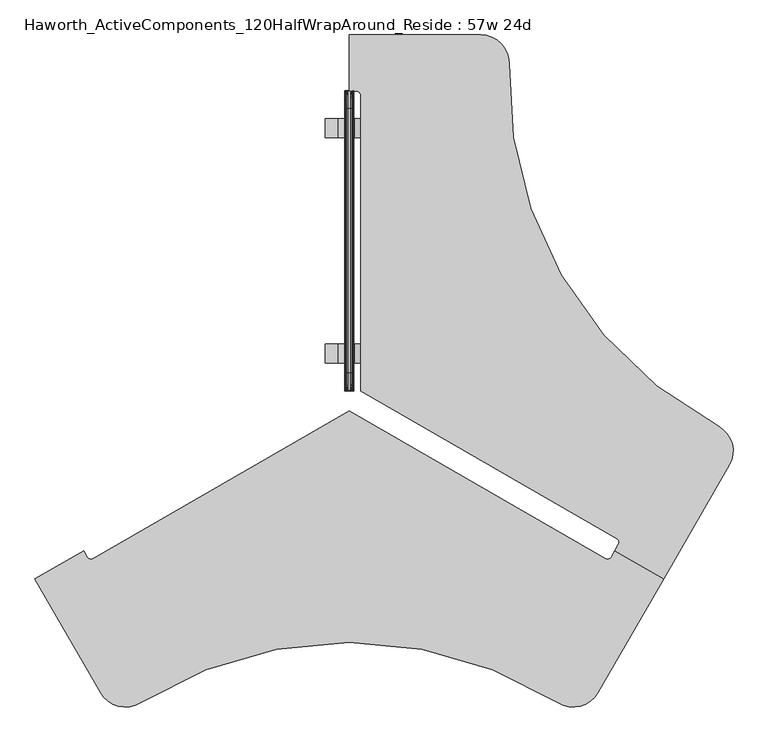
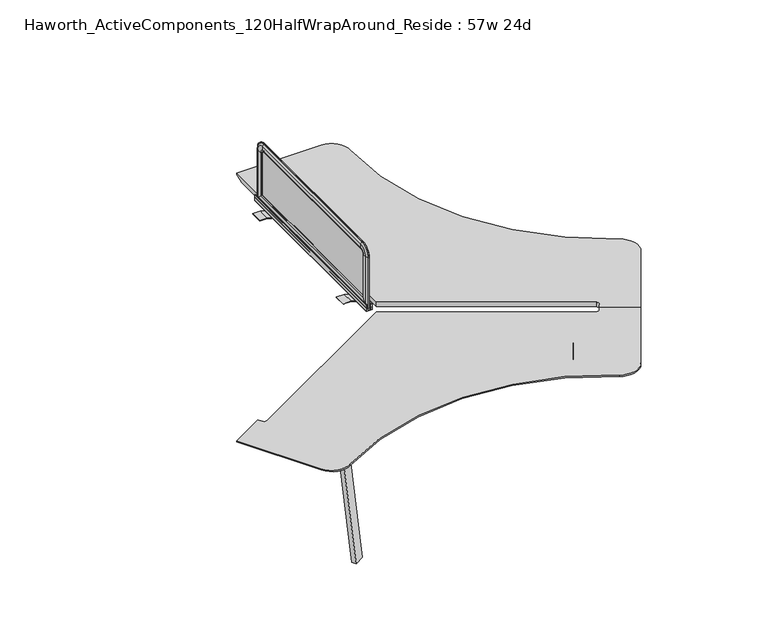
"""IFC4 building model written with IfcOpenShell, lengths in millimetres: furniture geometry, Haworth_ActiveComponents_120HalfWrapAround_Reside : 57w 24d."""

from ifc_helpers import new_model, si_unit, point, frame, frame_2d, origin, place, context, project, spatial, polyline, circle_curve, ellipse_curve, trimmed, segment, composite_curve, outline, extrude, source, transform, mapped, element, save
from ifc_brep_helpers import plane_surface, cylinder_surface, revolved_surface, advanced_brep


def haworth_activecomponents_120halfwraparound_reside_57w_24d_3ce308c3(model_context):
    return source(origin(), model_context, "Body", "SolidModel", [
        advanced_brep(
        [(5546.298392, 535.123697, 741.3625), (5576.4649877, 535.123697, 741.3625), (5592.335934, 519.2527507, 741.3625), (5592.335934, -680.7235255, 741.3625), (6631.5343091, -1280.7049871, 741.3625), (6637.3483503, -1302.4032713, 741.3625), (6622.2717011, -1328.5168121, 741.3625), (6820.2451785, -1442.816772, 741.3625), (7086.807887, -981.1166174, 741.3625), (7041.264866, -822.9306694, 741.3625), (6193.6453651, 645.1893138, 741.3625), (6079.423826, 763.723697, 741.3625), (5546.298392, 763.723697, 741.3625), (6622.2717011, -1328.5168121, 711.2), (6637.3483503, -1302.4032713, 711.2), (6631.5343091, -1280.7049871, 711.2), (5592.335934, -680.7235255, 711.2), (5592.335934, 519.2527507, 711.2), (5576.4649877, 535.123697, 711.2), (5546.298392, 535.123697, 711.2), (5546.298392, 712.923697, 711.2), (6079.423826, 712.923697, 711.2), (6142.8802366, 647.0712619, 711.2), (7017.5121182, -867.8355352, 711.2), (7042.8137965, -955.7166174, 711.2), (6776.2510802, -1417.4167854, 711.2), (6820.2451785, -1442.816772, 731.8375), (7086.807887, -981.1166174, 731.8375), (7041.264866, -822.9306694, 731.8375), (6193.6453651, 645.1893138, 731.8375), (6079.423826, 763.723697, 731.8375), (5546.298392, 763.723697, 731.8375)],
        [
            (0, 1),
            (1, 2, circle_curve(frame((5576.4649877, 519.2527507, 741.3625), z_axis=(0.0, 0.0, -1.0), x_axis=(0.0, 1.0, 0.0)), 15.8709463)),
            (2, 3),
            (3, 4),
            (4, 5, circle_curve(frame((6623.5921843, -1294.4611507, 741.3625), z_axis=(0.0, 0.0, -1.0), x_axis=(0.0, 1.0, 0.0)), 15.8842495)),
            (5, 6),
            (6, 7),
            (7, 8),
            (8, 9, circle_curve(frame((6987.8211834, -923.9666174, 741.3625), z_axis=(0.0, 0.0, 1.0), x_axis=(0.0, 1.0, 0.0)), 114.3)),
            (9, 10, circle_curve(frame((7786.6005897, 586.135803, 741.3625), z_axis=(0.0, 0.0, -1.0), x_axis=(0.0, 1.0, 0.0)), 1594.0494549)),
            (10, 11, circle_curve(frame((6079.423826, 649.423697, 741.3625), z_axis=(0.0, 0.0, 1.0), x_axis=(0.0, 1.0, 0.0)), 114.3)),
            (11, 12),
            (12, 0),
            (13, 14),
            (14, 15, circle_curve(frame((6623.5921843, -1294.4611507, 711.2), z_axis=(0.0, 0.0, 1.0), x_axis=(0.0, 1.0, 0.0)), 15.8842495)),
            (15, 16),
            (16, 17),
            (17, 18, circle_curve(frame((5576.4649877, 519.2527507, 711.2), z_axis=(0.0, 0.0, 1.0), x_axis=(0.0, 1.0, 0.0)), 15.8709463)),
            (18, 19),
            (19, 20),
            (20, 21),
            (21, 22, circle_curve(frame((6079.423826, 649.423697, 711.2), z_axis=(0.0, 0.0, -1.0), x_axis=(0.9993135530948192, -0.037046222493095374, 0.0)), 63.5)),
            (22, 23, circle_curve(frame((7786.6005897, 586.135803, 711.2), z_axis=(0.0, 0.0, 1.0), x_axis=(-0.4675737765625936, -0.8839540505427834, 0.0)), 1644.8494549)),
            (23, 24, circle_curve(frame((6987.8211834, -923.9666174, 711.2), z_axis=(0.0, 0.0, -1.0), x_axis=(0.8660254037844176, -0.5000000000000362, 0.0)), 63.5)),
            (24, 25),
            (25, 13),
            (6, 13),
            (25, 26),
            (26, 7),
            (26, 27),
            (27, 8),
            (9, 28),
            (28, 29, circle_curve(frame((7786.6005897, 586.135803, 731.8375), z_axis=(0.0, 0.0, -1.0), x_axis=(0.0, 1.0, 0.0)), 1594.0494549)),
            (29, 10),
            (11, 30),
            (30, 31),
            (31, 12),
            (31, 20),
            (19, 0),
            (18, 1),
            (17, 2),
            (16, 3),
            (15, 4),
            (14, 5),
            (27, 28, circle_curve(frame((6987.8211834, -923.9666174, 731.8375), z_axis=(0.0, 0.0, 1.0), x_axis=(0.0, 1.0, 0.0)), 114.3)),
            (29, 30, circle_curve(frame((6079.423826, 649.423697, 731.8375), z_axis=(0.0, 0.0, 1.0), x_axis=(0.0, 1.0, 0.0)), 114.3)),
            (24, 27),
            (23, 28),
            (22, 29),
            (21, 30),
        ],
        [
            plane_surface(frame((5546.298392, 535.123697, 741.3625), z_axis=(0.0, 0.0, 1.0), x_axis=(1.0, 0.0, 0.0))),
            plane_surface(frame((5546.298392, 535.123697, 711.2), z_axis=(0.0, 0.0, -1.0), x_axis=(-1.0, 0.0, 0.0))),
            plane_surface(frame((6622.2717011, -1328.5168121, 741.3625), z_axis=(-0.4999997355017354, -0.8660255564925292, 0.0), x_axis=(0.0, 0.0, -1.0))),
            plane_surface(frame((6820.2451785, -1442.816772, 741.3625), z_axis=(0.8660254037844242, -0.5000000000000252, 0.0), x_axis=(0.0, 0.0, -1.0))),
            revolved_surface(polyline([(7786.6005897, 2180.1852579, 731.8375), (7786.6005897, 2180.1852579, 741.3625)]), (7786.6005897, 586.135803, 711.2), (0.0, 0.0, -1.0)),
            plane_surface(frame((6079.423826, 763.723697, 741.3625), z_axis=(0.0, 1.0, 0.0), x_axis=(0.0, 0.0, -1.0))),
            plane_surface(frame((5546.298392, 763.723697, 741.3625), z_axis=(-1.0, 0.0, 0.0), x_axis=(0.0, 0.0, -1.0))),
            plane_surface(frame((5546.298392, 535.123697, 741.3625), z_axis=(0.0, -1.0, 0.0), x_axis=(0.0, 0.0, -1.0))),
            revolved_surface(polyline([(5576.4649877, 535.123697, 711.2), (5576.4649877, 535.123697, 741.3625)]), (5576.4649877, 519.2527507, 711.2), (0.0, 0.0, -1.0)),
            plane_surface(frame((5592.335934, 519.2527507, 741.3625), z_axis=(-1.0, 0.0, 0.0), x_axis=(0.0, 0.0, -1.0))),
            plane_surface(frame((5592.335934, -680.7235255, 741.3625), z_axis=(-0.4999999999999999, -0.8660254037844388, 0.0), x_axis=(0.0, 0.0, -1.0))),
            revolved_surface(polyline([(6623.5921843, -1278.5769012, 711.2), (6623.5921843, -1278.5769012, 741.3625)]), (6623.5921843, -1294.4611507, 711.2), (0.0, 0.0, -1.0)),
            plane_surface(frame((6637.3483503, -1302.4032713, 741.3625), z_axis=(-0.8660255564925289, 0.49999973550173593, 0.0), x_axis=(0.0, 0.0, -1.0))),
            cylinder_surface(frame((6987.8211834, -923.9666174, 711.2), z_axis=(0.0, 0.0, 1.0), x_axis=(0.0, 1.0, 0.0)), 114.3),
            cylinder_surface(frame((6079.423826, 649.423697, 711.2), z_axis=(0.0, 0.0, 1.0), x_axis=(0.0, 1.0, 0.0)), 114.3),
            plane_surface(frame((6820.2451785, -1442.816772, 731.8375), z_axis=(0.3259520840652066, -0.1881885234779791, -0.9264665771223088), x_axis=(0.5000000000000251, 0.8660254037844243, 0.0))),
            revolved_surface(polyline([(7042.8137965, -955.7166174, 711.2), (7086.807887, -981.1166174, 731.8375)]), (6987.8211834, -923.9666174, 741.3625), (0.0, 0.0, 1.0)),
            revolved_surface(polyline([(7017.5121182, -867.8355352, 711.2), (7041.264866, -822.9306694, 731.8375)]), (7786.6005897, 586.135803, 741.3625), (0.0, 0.0, -1.0)),
            revolved_surface(polyline([(6142.8802366, 647.0712619, 711.2), (6193.6453651, 645.1893138, 731.8375)]), (6079.423826, 649.423697, 741.3625), (0.0, 0.0, 1.0)),
            plane_surface(frame((6079.423826, 763.723697, 731.8375), z_axis=(0.0, 0.3763770469559395, -0.9264665771223087), x_axis=(-1.0, 0.0, 0.0))),
        ],
        [
            (0, [[1, 2, 3, 4, 5, 6, 7, 8, 9, 10, 11, 12, 13]]),
            (1, [[14, 15, 16, 17, 18, 19, 20, 21, 22, 23, 24, 25, 26]]),
            (2, [[-7, 27, -26, 28, 29]]),
            (3, [[-8, -29, 30, 31]]),
            (4, [[-10, 32, 33, 34]]),
            (5, [[-12, 35, 36, 37]]),
            (6, [[-13, -37, 38, -20, 39]]),
            (7, [[-1, -39, -19, 40]]),
            (8, [[-2, -40, -18, 41]]),
            (9, [[-3, -41, -17, 42]]),
            (10, [[-4, -42, -16, 43]]),
            (11, [[-5, -43, -15, 44]]),
            (12, [[-6, -44, -14, -27]]),
            (13, [[-9, -31, 45, -32]]),
            (14, [[-11, -34, 46, -35]]),
            (15, [[47, -30, -28, -25]]),
            (16, [[-47, -24, 48, -45]]),
            (17, [[-48, -23, 49, -33]]),
            (18, [[-49, -22, 50, -46]]),
            (19, [[-50, -21, -38, -36]]),
        ],
    ),
        extrude(outline(composite_curve([segment(polyline([(4791.2150679, -1604.0041573), (4773.6881285, -1573.6487739), (5537.566722, -1132.5917913)]), True, "CONTINUOUS"), segment(trimmed(circle_curve(frame_2d((5546.2984392, -1147.7144901)), 17.4625), [point((5537.566722, -1132.5917913))], [point((5555.0301565, -1132.5917913))], False, "CARTESIAN"), True, "CONTINUOUS"), segment(polyline([(5555.0301565, -1132.5917913), (6318.90875, -1573.6487739), (6301.3818106, -1604.0041573), (5546.2984392, -1168.0254609), (4791.2150679, -1604.0041573)]), True, "CONTINUOUS")], self_intersect=False)), frame((0.0, 0.0, 671.7664816), z_axis=(0.0, 0.0, 1.0), x_axis=(1.0, 0.0, 0.0)), (0.0, 0.0, 1.0), 34.2900581),
        extrude(outline(composite_curve([segment(polyline([(4756.490495, -1543.859523), (4738.9635856, -1513.5041013), (5537.5667417, -1052.3988437)]), True, "CONTINUOUS"), segment(trimmed(circle_curve(frame_2d((5546.2984392, -1067.521554)), 17.4625), [point((5537.5667417, -1052.3988437))], [point((5555.0301367, -1052.3988437))], False, "CARTESIAN"), True, "CONTINUOUS"), segment(polyline([(5555.0301367, -1052.3988437), (6353.6332929, -1513.5041013), (6336.1063834, -1543.859523), (5546.2984392, -1087.8325086), (4756.490495, -1543.859523)]), True, "CONTINUOUS")], self_intersect=False)), frame((0.0, 0.0, 671.7664816), z_axis=(0.0, 0.0, 1.0), x_axis=(1.0, 0.0, 0.0)), (0.0, 0.0, 1.0), 34.2900581),
        extrude(outline(polyline([(4799.0775322, -1620.7903741), (4772.3272209, -1716.5620946), (4777.1471632, -1724.9092883), (4718.6736713, -1758.6689746), (4568.7501644, -1498.9938434), (4627.2155729, -1465.2388241), (4630.918149, -1471.651874), (4727.2415926, -1496.366877), (4799.0775322, -1620.7903741)])), frame((0.0, 0.0, 671.7664816), z_axis=(0.0, 0.0, 1.0), x_axis=(1.0, 0.0, 0.0)), (0.0, 0.0, 1.0), 34.2900581),
        extrude(outline(polyline([(6293.5193463, -1620.7903741), (6365.3552858, -1496.366877), (6461.6787295, -1471.651874), (6465.3813056, -1465.2388241), (6523.846714, -1498.9938434), (6373.9232071, -1758.6689746), (6315.4497153, -1724.9092883), (6320.2696576, -1716.5620946), (6293.5193463, -1620.7903741)])), frame((0.0, 0.0, 671.7664816), z_axis=(0.0, 0.0, 1.0), x_axis=(1.0, 0.0, 0.0)), (0.0, 0.0, 1.0), 34.2900581),
        advanced_brep(
        [(6622.2717921, -1328.5167479, 741.3625), (6607.1884942, -1354.6417862, 741.3625), (6585.5083784, -1360.4509557, 741.3625), (5546.2984392, -760.4628176, 741.3625), (4507.1000641, -1360.4442792, 741.3625), (4485.4017782, -1354.6302445, 741.3625), (4470.325113, -1328.5167128, 741.3625), (4272.3517055, -1442.8167936, 741.3625), (4538.914414, -1904.5169482, 741.3625), (4698.678974, -1944.168509, 741.3625), (6393.9179257, -1944.1684801, 741.3625), (6553.6824824, -1904.5169172, 741.3625), (6820.2451994, -1442.8167479, 741.3625), (4470.325113, -1328.5167128, 711.2), (4485.4017782, -1354.6302445, 711.2), (4507.1000641, -1360.4442792, 711.2), (5546.2984392, -760.4628176, 711.2), (6585.5083784, -1360.4509557, 711.2), (6607.1884942, -1354.6417862, 711.2), (6622.2717921, -1328.5167479, 711.2), (6776.2511089, -1417.4167479, 711.2), (6509.6883919, -1879.1169172, 711.2), (6420.9303048, -1901.1455632, 711.2), (4671.6665934, -1901.1455931, 711.2), (4582.9085045, -1879.1169482, 711.2), (4316.3457882, -1417.4167802, 711.2), (4272.3517055, -1442.8167936, 731.8375), (4538.914414, -1904.5169482, 731.8375), (4698.678974, -1944.168509, 731.8375), (6393.9179257, -1944.1684801, 731.8375), (6553.6824824, -1904.5169172, 731.8375), (6820.2451994, -1442.8167479, 731.8375)],
        [
            (0, 1),
            (1, 2, circle_curve(frame((6593.4438515, -1346.706313, 741.3625), z_axis=(0.0, 0.0, -1.0), x_axis=(0.8660254037844388, -0.4999999999999999, 0.0)), 15.8709463)),
            (2, 3),
            (3, 4),
            (4, 5, circle_curve(frame((4499.1579394, -1346.6881156, 741.3625), z_axis=(0.0, 0.0, -1.0), x_axis=(0.8660254037844388, -0.4999999999999999, 0.0)), 15.8842495)),
            (5, 6),
            (6, 7),
            (7, 8),
            (8, 9, circle_curve(frame((4637.9011176, -1847.3669482, 741.3625), z_axis=(0.0, 0.0, 1.0), x_axis=(0.8660254037844388, -0.4999999999999999, 0.0)), 114.3)),
            (9, 10, circle_curve(frame((5546.2984729, -3294.1814163, 741.3625), z_axis=(0.0, 0.0, -1.0), x_axis=(0.8660254037844388, -0.4999999999999999, 0.0)), 1594.0494549)),
            (10, 11, circle_curve(frame((6454.6957787, -1847.3669172, 741.3625), z_axis=(0.0, 0.0, 1.0), x_axis=(0.8660254037844388, -0.4999999999999999, 0.0)), 114.3)),
            (11, 12),
            (12, 0),
            (13, 14),
            (14, 15, circle_curve(frame((4499.1579394, -1346.6881156, 711.2), z_axis=(0.0, 0.0, 1.0), x_axis=(0.8660254037844388, -0.4999999999999999, 0.0)), 15.8842495)),
            (15, 16),
            (16, 17),
            (17, 18, circle_curve(frame((6593.4438515, -1346.706313, 711.2), z_axis=(0.0, 0.0, 1.0), x_axis=(0.8660254037844388, -0.4999999999999999, 0.0)), 15.8709463)),
            (18, 19),
            (19, 20),
            (20, 21),
            (21, 22, circle_curve(frame((6454.6957787, -1847.3669172, 711.2), z_axis=(0.0, 0.0, -1.0), x_axis=(-0.5317397463406786, -0.8469078120796566, 0.0)), 63.5)),
            (22, 23, circle_curve(frame((5546.2984729, -3294.1814163, 711.2), z_axis=(0.0, 0.0, 1.0), x_axis=(-0.5317397752669095, 0.8469077939180254, 0.0)), 1644.8494549)),
            (23, 24, circle_curve(frame((4637.9011176, -1847.3669482, 711.2), z_axis=(0.0, 0.0, -1.0), x_axis=(-0.8660254037844584, -0.49999999999996597, 0.0)), 63.5)),
            (24, 25),
            (25, 13),
            (6, 13),
            (25, 26),
            (26, 7),
            (26, 27),
            (27, 8),
            (9, 28),
            (28, 29, circle_curve(frame((5546.2984729, -3294.1814163, 731.8375), z_axis=(0.0, 0.0, -1.0), x_axis=(0.8660254037844388, -0.4999999999999999, 0.0)), 1594.0494549)),
            (29, 10),
            (11, 30),
            (30, 31),
            (31, 12),
            (31, 20),
            (19, 0),
            (18, 1),
            (17, 2),
            (16, 3),
            (15, 4),
            (14, 5),
            (27, 28, circle_curve(frame((4637.9011176, -1847.3669482, 731.8375), z_axis=(0.0, 0.0, 1.0), x_axis=(0.8660254037844388, -0.4999999999999999, 0.0)), 114.3)),
            (29, 30, circle_curve(frame((6454.6957787, -1847.3669172, 731.8375), z_axis=(0.0, 0.0, 1.0), x_axis=(0.8660254037844388, -0.4999999999999999, 0.0)), 114.3)),
            (24, 27),
            (23, 28),
            (22, 29),
            (21, 30),
        ],
        [
            plane_surface(frame((6622.2717921, -1328.5167479, 741.3625), z_axis=(0.0, 0.0, 1.0000000000000002), x_axis=(-0.5000000000000019, -0.8660254037844377, 0.0))),
            plane_surface(frame((6622.2717921, -1328.5167479, 711.2), z_axis=(0.0, 0.0, -1.0000000000000002), x_axis=(0.5000000000000019, 0.8660254037844377, 0.0))),
            plane_surface(frame((4470.325113, -1328.5167128, 741.3625), z_axis=(-0.5000002644982202, 0.8660252510762663, 0.0), x_axis=(0.0, 0.0, -1.0))),
            plane_surface(frame((4272.3517055, -1442.8167936, 741.3625), z_axis=(-0.8660254037844519, -0.499999999999977, 0.0), x_axis=(0.0, 0.0, -1.0))),
            revolved_surface(polyline([(6926.785795732138, -4091.2061437499997, 731.8375), (6926.785795732138, -4091.2061437499997, 741.3625)]), (5546.2984729, -3294.1814163, 711.2), (0.0, 0.0, -1.0)),
            plane_surface(frame((6553.6824824, -1904.5169172, 741.3625), z_axis=(0.8660254037844379, -0.5000000000000014, 0.0), x_axis=(0.0, 0.0, -1.0))),
            plane_surface(frame((6820.2451994, -1442.8167479, 741.3625), z_axis=(0.5000000000000027, 0.8660254037844372, 0.0), x_axis=(0.0, 0.0, -1.0))),
            plane_surface(frame((6622.2717921, -1328.5167479, 741.3625), z_axis=(-0.8660254037844377, 0.5000000000000019, 0.0), x_axis=(0.0, 0.0, -1.0))),
            revolved_surface(polyline([(6607.188494177899, -1354.64178615, 711.2), (6607.188494177899, -1354.64178615, 741.3625)]), (6593.4438515, -1346.706313, 711.2), (0.0, 0.0, -1.0)),
            plane_surface(frame((6585.5083784, -1360.4509557, 741.3625), z_axis=(0.5000000000000027, 0.8660254037844372, 0.0), x_axis=(0.0, 0.0, -1.0))),
            plane_surface(frame((5546.2984392, -760.4628176, 741.3625), z_axis=(-0.5000000000000022, 0.8660254037844373, 0.0), x_axis=(0.0, 0.0, -1.0))),
            revolved_surface(polyline([(4512.914102987051, -1354.63024035, 711.2), (4512.914102987051, -1354.63024035, 741.3625)]), (4499.1579394, -1346.6881156, 711.2), (0.0, 0.0, -1.0)),
            plane_surface(frame((4485.4017782, -1354.6302445, 741.3625), z_axis=(0.8660252510762666, 0.5000002644982197, 0.0), x_axis=(0.0, 0.0, -1.0))),
            cylinder_surface(frame((4637.9011176, -1847.3669482, 711.2), z_axis=(0.0, 0.0, 1.0), x_axis=(0.8660254037844388, -0.4999999999999999, 0.0)), 114.3),
            cylinder_surface(frame((6454.6957787, -1847.3669172, 711.2), z_axis=(0.0, 0.0, 1.0), x_axis=(0.8660254037844388, -0.4999999999999999, 0.0)), 114.3),
            plane_surface(frame((4272.3517055, -1442.8167936, 731.8375), z_axis=(-0.325952084065217, -0.18818852347796108, -0.9264665771223088), x_axis=(0.49999999999997724, -0.8660254037844519, 0.0))),
            revolved_surface(polyline([(4582.9085045, -1879.1169482, 711.2), (4538.914414, -1904.5169482, 731.8375)]), (4637.9011176, -1847.3669482, 741.3625), (0.0, 0.0, 1.0)),
            revolved_surface(polyline([(4671.6665934, -1901.1455931, 711.2), (4698.678974, -1944.168509, 731.8375)]), (5546.2984729, -3294.1814163, 741.3625), (0.0, 0.0, -1.0)),
            revolved_surface(polyline([(6420.9303048, -1901.1455632, 711.2), (6393.9179257, -1944.1684801, 731.8375)]), (6454.6957787, -1847.3669172, 741.3625), (0.0, 0.0, 1.0)),
            plane_surface(frame((6553.6824824, -1904.5169172, 731.8375), z_axis=(0.32595208406521176, -0.18818852347797024, -0.9264665771223087), x_axis=(0.5000000000000014, 0.8660254037844379, 0.0))),
        ],
        [
            (0, [[1, 2, 3, 4, 5, 6, 7, 8, 9, 10, 11, 12, 13]]),
            (1, [[14, 15, 16, 17, 18, 19, 20, 21, 22, 23, 24, 25, 26]]),
            (2, [[-7, 27, -26, 28, 29]]),
            (3, [[-8, -29, 30, 31]]),
            (4, [[-10, 32, 33, 34]]),
            (5, [[-12, 35, 36, 37]]),
            (6, [[-13, -37, 38, -20, 39]]),
            (7, [[-1, -39, -19, 40]]),
            (8, [[-2, -40, -18, 41]]),
            (9, [[-3, -41, -17, 42]]),
            (10, [[-4, -42, -16, 43]]),
            (11, [[-5, -43, -15, 44]]),
            (12, [[-6, -44, -14, -27]]),
            (13, [[-9, -31, 45, -32]]),
            (14, [[-11, -34, 46, -35]]),
            (15, [[47, -30, -28, -25]]),
            (16, [[-47, -24, 48, -45]]),
            (17, [[-48, -23, 49, -33]]),
            (18, [[-49, -22, 50, -46]]),
            (19, [[-50, -21, -38, -36]]),
        ],
    ),
        extrude(outline(polyline([(708.5329874, 5643.2387469), (711.1999758, 5643.2387469), (711.1999031, 5593.8357804), (701.1670126, 5565.6417391), (701.1670126, 5526.9551288), (711.1999031, 5498.7610876), (711.1999758, 5449.3581211), (708.5329874, 5449.3581211), (708.5329874, 5498.3007369), (698.5000242, 5526.9551765), (698.5000242, 5566.102133), (708.5329874, 5594.2961311), (708.5329874, 5643.2387469)])), frame((0.0, -566.4235255, 0.0), z_axis=(0.0, 1.0, 0.0), x_axis=(0.0, 0.0, 1.0)), (0.0, 0.0, 1.0), 76.2),
        extrude(outline(polyline([(708.5329874, 5643.2387469), (711.1999758, 5643.2387469), (711.1999031, 5593.8357804), (701.1670126, 5565.6417391), (701.1670126, 5526.9551288), (711.1999031, 5498.7610876), (711.1999758, 5449.3581211), (708.5329874, 5449.3581211), (708.5329874, 5498.3007369), (698.5000242, 5526.9551765), (698.5000242, 5566.102133), (708.5329874, 5594.2961311), (708.5329874, 5643.2387469)])), frame((0.0, 347.9764745, 0.0), z_axis=(0.0, 1.0, 0.0), x_axis=(0.0, 0.0, 1.0)), (0.0, 0.0, 1.0), 76.2),
        extrude(outline(composite_curve([segment(polyline([(705.1294161, 5537.2941337), (716.8133686, 5537.2941337), (716.8133686, 5541.2184337), (718.8200048, 5541.2184337), (718.8200048, 5536.0495342), (721.0551882, 5536.0495342), (722.0711872, 5534.8557344), (737.1334219, 5534.8557344), (738.1494209, 5536.0495342), (740.1051882, 5536.0495342), (740.9960276, 5535.0027971)]), True, "CONTINUOUS"), segment(trimmed(circle_curve(frame_2d((740.4834819, 5534.5665883)), 0.6730388), [point((740.9960276, 5535.0027971))], [point((740.5960712, 5533.9030336))], False, "CARTESIAN"), True, "CONTINUOUS"), segment(polyline([(740.5960712, 5533.9030336), (734.0854248, 5532.7983337), (721.131419, 5532.7983337), (721.131419, 5529.6487337), (725.1191843, 5529.6487337), (725.8812017, 5528.8994335), (740.3039756, 5528.8994335)]), True, "CONTINUOUS"), segment(trimmed(circle_curve(frame_2d((740.3039756, 5528.0993336)), 0.8000999), [point((740.3039756, 5528.8994335))], [point((740.3039756, 5527.2992337))], False, "CARTESIAN"), True, "CONTINUOUS"), segment(polyline([(740.3039756, 5527.2992337), (702.1830128, 5527.2992337)]), True, "CONTINUOUS"), segment(trimmed(circle_curve(frame_2d((702.1830128, 5528.3152339)), 1.0160002), [point((702.1830128, 5527.2992337))], [point((701.1670126, 5528.3152339))], False, "CARTESIAN"), True, "CONTINUOUS"), segment(polyline([(701.1670126, 5528.3152339), (701.1670126, 5564.2816341)]), True, "CONTINUOUS"), segment(trimmed(circle_curve(frame_2d((702.1830128, 5564.2816341)), 1.0160002), [point((701.1670126, 5564.2816341))], [point((702.1830128, 5565.2976343))], False, "CARTESIAN"), True, "CONTINUOUS"), segment(polyline([(702.1830128, 5565.2976343), (740.3039756, 5565.2976343)]), True, "CONTINUOUS"), segment(trimmed(circle_curve(frame_2d((740.3039756, 5564.4975343)), 0.8000999), [point((740.3039756, 5565.2976343))], [point((740.3039756, 5563.6974344))], False, "CARTESIAN"), True, "CONTINUOUS"), segment(polyline([(740.3039756, 5563.6974344), (725.8812017, 5563.6974344), (725.1191843, 5562.9481342), (721.131419, 5562.9481342), (721.131419, 5559.7985343), (734.0854248, 5559.7985343), (740.5960712, 5558.6938343)]), True, "CONTINUOUS"), segment(trimmed(circle_curve(frame_2d((740.4834819, 5558.0302796)), 0.6730388), [point((740.5960712, 5558.6938343))], [point((740.9960276, 5557.5940709))], False, "CARTESIAN"), True, "CONTINUOUS"), segment(polyline([(740.9960276, 5557.5940709), (740.1051882, 5556.5473337), (738.1494209, 5556.5473337), (737.1334219, 5557.7411335), (722.0711872, 5557.7411335), (721.0551882, 5556.5473337), (718.8200048, 5556.5473337), (718.8200048, 5551.3784342), (716.8133686, 5551.3784342), (716.8133686, 5555.3027342), (705.1294161, 5555.3027342), (705.1294161, 5537.2941337)]), True, "CONTINUOUS")], self_intersect=False)), frame((0.0, -680.7235255, 0.0), z_axis=(0.0, 1.0, 0.0), x_axis=(0.0, 0.0, 1.0)), (0.0, 0.0, 1.0), 1219.2),
        advanced_brep(
        [(5543.123434, 534.4861627, 1050.2564604), (5549.473434, 534.4861627, 1050.2564604), (5549.473434, 534.4861627, 715.4852418), (5543.123434, 534.4861627, 715.4852418), (5536.4772731, 518.9580063, 1050.2564604), (5543.123434, 528.612988, 1050.2564604), (5543.123434, 528.612988, 721.3584165), (5536.4772731, 518.9580063, 731.0133982), (5537.0107094, 489.9767085, 1050.2564604), (5537.0107094, 489.9767085, 759.994696), (5543.123434, 480.1834835, 1050.2564604), (5543.123434, 480.1834835, 769.787921), (5549.473434, 480.1834835, 1050.2564604), (5549.473434, 480.1834835, 769.787921), (5555.5861585, 489.9767085, 1050.2564604), (5555.5861585, 489.9767085, 759.994696), (5556.1195948, 518.9580063, 1050.2564604), (5556.1195948, 518.9580063, 731.0133982), (5549.473434, 528.612988, 1050.2564604), (5549.473434, 528.612988, 721.3584165), (5549.473434, -676.7332114, 715.4852418), (5543.123434, -676.7332114, 715.4852418), (5543.123434, -670.8600367, 721.3584165), (5536.4772731, -661.205055, 731.0133982), (5537.0107094, -632.2237572, 759.994696), (5543.123434, -622.4305323, 769.787921), (5549.473434, -622.4305323, 769.787921), (5555.5861585, -632.2237572, 759.994696), (5556.1195948, -661.205055, 731.0133982), (5549.473434, -670.8600367, 721.3584165), (5549.473434, -676.7332114, 1050.2564604), (5543.123434, -676.7332114, 1050.2564604), (5543.123434, -670.8600367, 1050.2564604), (5536.4772731, -661.205055, 1050.2564604), (5537.0107094, -632.2237572, 1050.2564604), (5543.123434, -622.4305323, 1050.2564604), (5549.473434, -622.4305323, 1050.2564604), (5555.5861585, -632.2237572, 1050.2564604), (5556.1195948, -661.205055, 1050.2564604), (5549.473434, -670.8600367, 1050.2564604), (5543.123434, -606.5555323, 1120.4341395), (5549.473434, -606.5555323, 1120.4341395), (5536.4772731, -606.5555323, 1104.9059832), (5543.123434, -606.5555323, 1114.5609648), (5537.0107094, -606.5555323, 1075.9246853), (5543.123434, -606.5555323, 1066.1314604), (5549.473434, -606.5555323, 1066.1314604), (5555.5861585, -606.5555323, 1075.9246853), (5556.1195948, -606.5555323, 1104.9059832), (5549.473434, -606.5555323, 1114.5609648), (5549.473434, 464.3084835, 1120.4341395), (5543.123434, 464.3084835, 1120.4341395), (5543.123434, 464.3084835, 1114.5609648), (5536.4772731, 464.3084835, 1104.9059832), (5537.0107094, 464.3084835, 1075.9246853), (5543.123434, 464.3084835, 1066.1314604), (5549.473434, 464.3084835, 1066.1314604), (5555.5861585, 464.3084835, 1075.9246853), (5556.1195948, 464.3084835, 1104.9059832), (5549.473434, 464.3084835, 1114.5609648)],
        [
            (0, 1),
            (1, 2),
            (2, 3),
            (3, 0),
            (4, 5, circle_curve(frame((5552.9076082, 514.7629091, 1050.2564604), z_axis=(0.0, 0.0, -1.0), x_axis=(-1.0, 0.0, 0.0)), 16.9574394)),
            (5, 6),
            (6, 7, ellipse_curve(frame((5552.9076082, 514.7629091, 735.2084954), z_axis=(0.0, 0.7071067811865452, 0.7071067811865498), x_axis=(0.0, -0.7071067811865498, 0.7071067811865452)), 23.9814408, 16.9574394)),
            (7, 4),
            (8, 4, circle_curve(frame((5589.4324575, 505.4371531, 1050.2564604), z_axis=(0.0, 0.0, -1.0), x_axis=(-1.0, 0.0, 0.0)), 54.6540486)),
            (7, 9, ellipse_curve(frame((5589.4324575, 505.4371531, 744.5342514), z_axis=(0.0, 0.7071067811865452, 0.7071067811865498), x_axis=(0.0, -0.7071067811865498, 0.7071067811865452)), 77.2924967, 54.6540486)),
            (9, 8),
            (10, 8, circle_curve(frame((5557.6765646, 496.0715703, 1050.2564604), z_axis=(0.0, 0.0, -1.0), x_axis=(-1.0, 0.0, 0.0)), 21.5458792)),
            (9, 11, ellipse_curve(frame((5557.6765646, 496.0715703, 753.8998342), z_axis=(0.0, 0.7071067811865452, 0.7071067811865498), x_axis=(0.0, -0.7071067811865498, 0.7071067811865452)), 30.4704745, 21.5458792)),
            (11, 10),
            (12, 10),
            (11, 13),
            (13, 12),
            (14, 12, circle_curve(frame((5534.9203034, 496.0715703, 1050.2564604), z_axis=(0.0, 0.0, -1.0), x_axis=(-1.0, 0.0, 0.0)), 21.5458792)),
            (13, 15, ellipse_curve(frame((5534.9203034, 496.0715703, 753.8998342), z_axis=(0.0, 0.7071067811865452, 0.7071067811865498), x_axis=(0.0, -0.7071067811865498, 0.7071067811865452)), 30.4704745, 21.5458792)),
            (15, 14),
            (16, 14, circle_curve(frame((5503.1644104, 505.4371531, 1050.2564604), z_axis=(0.0, 0.0, -1.0), x_axis=(-1.0, 0.0, 0.0)), 54.6540486)),
            (15, 17, ellipse_curve(frame((5503.1644104, 505.4371531, 744.5342514), z_axis=(0.0, 0.7071067811865452, 0.7071067811865498), x_axis=(0.0, -0.7071067811865498, 0.7071067811865452)), 77.2924967, 54.6540486)),
            (17, 16),
            (18, 16, circle_curve(frame((5539.6892597, 514.7629091, 1050.2564604), z_axis=(0.0, 0.0, -1.0), x_axis=(-1.0, 0.0, 0.0)), 16.9574394)),
            (17, 19, ellipse_curve(frame((5539.6892597, 514.7629091, 735.2084954), z_axis=(0.0, 0.7071067811865452, 0.7071067811865498), x_axis=(0.0, -0.7071067811865498, 0.7071067811865452)), 23.9814408, 16.9574394)),
            (19, 18),
            (2, 20),
            (20, 21),
            (21, 3),
            (6, 22),
            (22, 23, ellipse_curve(frame((5552.9076082, -657.0099578, 735.2084954), z_axis=(0.0, 0.7071067811865497, -0.7071067811865454), x_axis=(0.0, 0.7071067811865454, 0.7071067811865497)), 23.9814408, 16.9574394)),
            (23, 7),
            (23, 24, ellipse_curve(frame((5589.4324575, -647.6842018, 744.5342514), z_axis=(0.0, 0.7071067811865497, -0.7071067811865454), x_axis=(0.0, 0.7071067811865454, 0.7071067811865497)), 77.2924967, 54.6540486)),
            (24, 9),
            (24, 25, ellipse_curve(frame((5557.6765646, -638.318619, 753.8998342), z_axis=(0.0, 0.7071067811865497, -0.7071067811865454), x_axis=(0.0, 0.7071067811865454, 0.7071067811865497)), 30.4704745, 21.5458792)),
            (25, 11),
            (25, 26),
            (26, 13),
            (26, 27, ellipse_curve(frame((5534.9203034, -638.318619, 753.8998342), z_axis=(0.0, 0.7071067811865497, -0.7071067811865454), x_axis=(0.0, 0.7071067811865454, 0.7071067811865497)), 30.4704745, 21.5458792)),
            (27, 15),
            (27, 28, ellipse_curve(frame((5503.1644104, -647.6842018, 744.5342514), z_axis=(0.0, 0.7071067811865497, -0.7071067811865454), x_axis=(0.0, 0.7071067811865454, 0.7071067811865497)), 77.2924967, 54.6540486)),
            (28, 17),
            (28, 29, ellipse_curve(frame((5539.6892597, -657.0099578, 735.2084954), z_axis=(0.0, 0.7071067811865497, -0.7071067811865454), x_axis=(0.0, 0.7071067811865454, 0.7071067811865497)), 23.9814408, 16.9574394)),
            (29, 19),
            (20, 30),
            (30, 31),
            (31, 21),
            (22, 32),
            (32, 33, circle_curve(frame((5552.9076082, -657.0099578, 1050.2564604), z_axis=(0.0, 0.0, -1.0), x_axis=(-1.0, 0.0, 0.0)), 16.9574394)),
            (33, 23),
            (33, 34, circle_curve(frame((5589.4324575, -647.6842018, 1050.2564604), z_axis=(0.0, 0.0, -1.0), x_axis=(-1.0, 0.0, 0.0)), 54.6540486)),
            (34, 24),
            (34, 35, circle_curve(frame((5557.6765646, -638.318619, 1050.2564604), z_axis=(0.0, 0.0, -1.0), x_axis=(-1.0, 0.0, 0.0)), 21.5458792)),
            (35, 25),
            (35, 36),
            (36, 26),
            (36, 37, circle_curve(frame((5534.9203034, -638.318619, 1050.2564604), z_axis=(0.0, 0.0, -1.0), x_axis=(-1.0, 0.0, 0.0)), 21.5458792)),
            (37, 27),
            (37, 38, circle_curve(frame((5503.1644104, -647.6842018, 1050.2564604), z_axis=(0.0, 0.0, -1.0), x_axis=(-1.0, 0.0, 0.0)), 54.6540486)),
            (38, 28),
            (38, 39, circle_curve(frame((5539.6892597, -657.0099578, 1050.2564604), z_axis=(0.0, 0.0, -1.0), x_axis=(-1.0, 0.0, 0.0)), 16.9574394)),
            (39, 29),
            (40, 31, circle_curve(frame((5543.123434, -606.5555323, 1050.2564604), z_axis=(1.0, 0.0, 0.0), x_axis=(0.0, -1.0, 0.0)), 70.1776791)),
            (30, 41, circle_curve(frame((5549.473434, -606.5555323, 1050.2564604), z_axis=(-1.0, 0.0, 0.0), x_axis=(0.0, -1.0, 0.0)), 70.1776791)),
            (41, 40),
            (42, 33, circle_curve(frame((5536.4772731, -606.5555323, 1050.2564604), z_axis=(1.0, 0.0, 0.0), x_axis=(0.0, -1.0, 0.0)), 54.6495228)),
            (32, 43, circle_curve(frame((5543.123434, -606.5555323, 1050.2564604), z_axis=(-1.0, 0.0, 0.0), x_axis=(0.0, -1.0, 0.0)), 64.3045045)),
            (43, 42, circle_curve(frame((5552.9076082, -606.5555323, 1100.7108859), z_axis=(0.0, -1.0, 0.0), x_axis=(-1.0, 0.0, 0.0)), 16.9574394)),
            (44, 34, circle_curve(frame((5537.0107094, -606.5555323, 1050.2564604), z_axis=(1.0, 0.0, 0.0), x_axis=(0.0, -1.0, 0.0)), 25.6682249)),
            (42, 44, circle_curve(frame((5589.4324575, -606.5555323, 1091.38513), z_axis=(0.0, -1.0, 0.0), x_axis=(-1.0, 0.0, 0.0)), 54.6540486)),
            (45, 35, circle_curve(frame((5543.123434, -606.5555323, 1050.2564604), z_axis=(1.0, 0.0, 0.0), x_axis=(0.0, -1.0, 0.0)), 15.875)),
            (44, 45, circle_curve(frame((5557.6765646, -606.5555323, 1082.0195471), z_axis=(0.0, -1.0, 0.0), x_axis=(-1.0, 0.0, 0.0)), 21.5458792)),
            (46, 36, circle_curve(frame((5549.473434, -606.5555323, 1050.2564604), z_axis=(1.0, 0.0, 0.0), x_axis=(0.0, -1.0, 0.0)), 15.875)),
            (45, 46),
            (47, 37, circle_curve(frame((5555.5861585, -606.5555323, 1050.2564604), z_axis=(1.0, 0.0, 0.0), x_axis=(0.0, -1.0, 0.0)), 25.6682249)),
            (46, 47, circle_curve(frame((5534.9203034, -606.5555323, 1082.0195471), z_axis=(0.0, -1.0, 0.0), x_axis=(-1.0, 0.0, 0.0)), 21.5458792)),
            (48, 38, circle_curve(frame((5556.1195948, -606.5555323, 1050.2564604), z_axis=(1.0, 0.0, 0.0), x_axis=(0.0, -1.0, 0.0)), 54.6495228)),
            (47, 48, circle_curve(frame((5503.1644104, -606.5555323, 1091.38513), z_axis=(0.0, -1.0, 0.0), x_axis=(-1.0, 0.0, 0.0)), 54.6540486)),
            (49, 39, circle_curve(frame((5549.473434, -606.5555323, 1050.2564604), z_axis=(1.0, 0.0, 0.0), x_axis=(0.0, -1.0, 0.0)), 64.3045045)),
            (48, 49, circle_curve(frame((5539.6892597, -606.5555323, 1100.7108859), z_axis=(0.0, -1.0, 0.0), x_axis=(-1.0, 0.0, 0.0)), 16.9574394)),
            (41, 50),
            (50, 51),
            (51, 40),
            (43, 52),
            (52, 53, circle_curve(frame((5552.9076082, 464.3084835, 1100.7108859), z_axis=(0.0, -1.0, 0.0), x_axis=(-1.0, 0.0, 0.0)), 16.9574394)),
            (53, 42),
            (53, 54, circle_curve(frame((5589.4324575, 464.3084835, 1091.38513), z_axis=(0.0, -1.0, 0.0), x_axis=(-1.0, 0.0, 0.0)), 54.6540486)),
            (54, 44),
            (54, 55, circle_curve(frame((5557.6765646, 464.3084835, 1082.0195471), z_axis=(0.0, -1.0, 0.0), x_axis=(-1.0, 0.0, 0.0)), 21.5458792)),
            (55, 45),
            (55, 56),
            (56, 46),
            (56, 57, circle_curve(frame((5534.9203034, 464.3084835, 1082.0195471), z_axis=(0.0, -1.0, 0.0), x_axis=(-1.0, 0.0, 0.0)), 21.5458792)),
            (57, 47),
            (57, 58, circle_curve(frame((5503.1644104, 464.3084835, 1091.38513), z_axis=(0.0, -1.0, 0.0), x_axis=(-1.0, 0.0, 0.0)), 54.6540486)),
            (58, 48),
            (58, 59, circle_curve(frame((5539.6892597, 464.3084835, 1100.7108859), z_axis=(0.0, -1.0, 0.0), x_axis=(-1.0, 0.0, 0.0)), 16.9574394)),
            (59, 49),
            (0, 51, circle_curve(frame((5543.123434, 464.3084835, 1050.2564604), z_axis=(1.0, 0.0, 0.0), x_axis=(0.0, 0.0, 1.0)), 70.1776791)),
            (50, 1, circle_curve(frame((5549.473434, 464.3084835, 1050.2564604), z_axis=(-1.0, 0.0, 0.0), x_axis=(0.0, 0.0, 1.0)), 70.1776791)),
            (5, 52, circle_curve(frame((5543.123434, 464.3084835, 1050.2564604), z_axis=(1.0, 0.0, 0.0), x_axis=(0.0, 0.0, 1.0)), 64.3045045)),
            (4, 53, circle_curve(frame((5536.4772731, 464.3084835, 1050.2564604), z_axis=(1.0, 0.0, 0.0), x_axis=(0.0, 0.0, 1.0)), 54.6495228)),
            (8, 54, circle_curve(frame((5537.0107094, 464.3084835, 1050.2564604), z_axis=(1.0, 0.0, 0.0), x_axis=(0.0, 0.0, 1.0)), 25.6682249)),
            (10, 55, circle_curve(frame((5543.123434, 464.3084835, 1050.2564604), z_axis=(1.0, 0.0, 0.0), x_axis=(0.0, 0.0, 1.0)), 15.875)),
            (12, 56, circle_curve(frame((5549.473434, 464.3084835, 1050.2564604), z_axis=(1.0, 0.0, 0.0), x_axis=(0.0, 0.0, 1.0)), 15.875)),
            (14, 57, circle_curve(frame((5555.5861585, 464.3084835, 1050.2564604), z_axis=(1.0, 0.0, 0.0), x_axis=(0.0, 0.0, 1.0)), 25.6682249)),
            (16, 58, circle_curve(frame((5556.1195948, 464.3084835, 1050.2564604), z_axis=(1.0, 0.0, 0.0), x_axis=(0.0, 0.0, 1.0)), 54.6495228)),
            (18, 59, circle_curve(frame((5549.473434, 464.3084835, 1050.2564604), z_axis=(1.0, 0.0, 0.0), x_axis=(0.0, 0.0, 1.0)), 64.3045045)),
        ],
        [
            plane_surface(frame((5549.473434, 534.4861627, 1050.2564604), z_axis=(0.0, 1.0, 0.0), x_axis=(0.0, 0.0, -1.0))),
            cylinder_surface(frame((5552.9076082, 514.7629091, 1050.2564604), z_axis=(0.0, 0.0, 1.0), x_axis=(-1.0, 0.0, 0.0)), 16.9574394),
            cylinder_surface(frame((5589.4324575, 505.4371531, 1050.2564604), z_axis=(0.0, 0.0, 1.0), x_axis=(-1.0, 0.0, 0.0)), 54.6540486),
            cylinder_surface(frame((5557.6765646, 496.0715703, 1050.2564604), z_axis=(0.0, 0.0, 1.0), x_axis=(-1.0, 0.0, 0.0)), 21.5458792),
            plane_surface(frame((5543.123434, 480.1834835, 1050.2564604), z_axis=(0.0, -1.0, 0.0), x_axis=(0.0, 0.0, -1.0))),
            cylinder_surface(frame((5534.9203034, 496.0715703, 1050.2564604), z_axis=(0.0, 0.0, 1.0), x_axis=(-1.0, 0.0, 0.0)), 21.5458792),
            cylinder_surface(frame((5503.1644104, 505.4371531, 1050.2564604), z_axis=(0.0, 0.0, 1.0), x_axis=(-1.0, 0.0, 0.0)), 54.6540486),
            cylinder_surface(frame((5539.6892597, 514.7629091, 1050.2564604), z_axis=(0.0, 0.0, 1.0), x_axis=(-1.0, 0.0, 0.0)), 16.9574394),
            plane_surface(frame((5549.473434, 534.4861627, 715.4852418), z_axis=(0.0, 0.0, -1.0), x_axis=(0.0, -1.0, 0.0))),
            cylinder_surface(frame((5552.9076082, 480.1834835, 735.2084954), z_axis=(0.0, 1.0, 0.0), x_axis=(-1.0, 0.0, 0.0)), 16.9574394),
            cylinder_surface(frame((5589.4324575, 480.1834835, 744.5342514), z_axis=(0.0, 1.0, 0.0), x_axis=(-1.0, 0.0, 0.0)), 54.6540486),
            cylinder_surface(frame((5557.6765646, 480.1834835, 753.8998342), z_axis=(0.0, 1.0, 0.0), x_axis=(-1.0, 0.0, 0.0)), 21.5458792),
            plane_surface(frame((5543.123434, 480.1834835, 769.787921), z_axis=(0.0, 0.0, 1.0), x_axis=(0.0, -1.0, 0.0))),
            cylinder_surface(frame((5534.9203034, 480.1834835, 753.8998342), z_axis=(0.0, 1.0, 0.0), x_axis=(-1.0, 0.0, 0.0)), 21.5458792),
            cylinder_surface(frame((5503.1644104, 480.1834835, 744.5342514), z_axis=(0.0, 1.0, 0.0), x_axis=(-1.0, 0.0, 0.0)), 54.6540486),
            cylinder_surface(frame((5539.6892597, 480.1834835, 735.2084954), z_axis=(0.0, 1.0, 0.0), x_axis=(-1.0, 0.0, 0.0)), 16.9574394),
            plane_surface(frame((5549.473434, -676.7332114, 715.4852418), z_axis=(0.0, -1.0, 0.0), x_axis=(0.0, 0.0, 1.0))),
            cylinder_surface(frame((5552.9076082, -657.0099578, 769.787921), z_axis=(0.0, 0.0, -1.0), x_axis=(-1.0, 0.0, 0.0)), 16.9574394),
            cylinder_surface(frame((5589.4324575, -647.6842018, 769.787921), z_axis=(0.0, 0.0, -1.0), x_axis=(-1.0, 0.0, 0.0)), 54.6540486),
            cylinder_surface(frame((5557.6765646, -638.318619, 769.787921), z_axis=(0.0, 0.0, -1.0), x_axis=(-1.0, 0.0, 0.0)), 21.5458792),
            plane_surface(frame((5543.123434, -622.4305323, 769.787921), z_axis=(0.0, 1.0, 0.0), x_axis=(0.0, 0.0, 1.0))),
            cylinder_surface(frame((5534.9203034, -638.318619, 769.787921), z_axis=(0.0, 0.0, -1.0), x_axis=(-1.0, 0.0, 0.0)), 21.5458792),
            cylinder_surface(frame((5503.1644104, -647.6842018, 769.787921), z_axis=(0.0, 0.0, -1.0), x_axis=(-1.0, 0.0, 0.0)), 54.6540486),
            cylinder_surface(frame((5539.6892597, -657.0099578, 769.787921), z_axis=(0.0, 0.0, -1.0), x_axis=(-1.0, 0.0, 0.0)), 16.9574394),
            cylinder_surface(frame((5543.123434, -606.5555323, 1050.2564604), z_axis=(-1.0, 0.0, 0.0), x_axis=(0.0, -1.0, 0.0)), 70.1776791),
            revolved_surface(trimmed(ellipse_curve(frame((5552.9076082, -657.0099578, 1050.2564604), z_axis=(0.0, 0.0, -1.0), x_axis=(-1.0, 0.0, 0.0)), 16.9574394, 16.9574394), [point((5543.123434, -670.8600367, 1050.2564604))], [point((5536.4772731, -661.205055, 1050.2564604))], True, "CARTESIAN"), (5543.123434, -606.5555323, 1050.2564604), (-1.0, 0.0, 0.0)),
            revolved_surface(trimmed(ellipse_curve(frame((5589.4324575, -647.6842018, 1050.2564604), z_axis=(0.0, 0.0, -1.0), x_axis=(-1.0, 0.0, 0.0)), 54.6540486, 54.6540486), [point((5536.4772731, -661.205055, 1050.2564604))], [point((5537.0107094, -632.2237572, 1050.2564604))], True, "CARTESIAN"), (5543.123434, -606.5555323, 1050.2564604), (-1.0, 0.0, 0.0)),
            revolved_surface(trimmed(ellipse_curve(frame((5557.6765646, -638.318619, 1050.2564604), z_axis=(0.0, 0.0, -1.0), x_axis=(-1.0, 0.0, 0.0)), 21.5458792, 21.5458792), [point((5537.0107094, -632.2237572, 1050.2564604))], [point((5543.123434, -622.4305323, 1050.2564604))], True, "CARTESIAN"), (5543.123434, -606.5555323, 1050.2564604), (-1.0, 0.0, 0.0)),
            revolved_surface(polyline([(5543.123434, -622.4305323, 1050.2564604), (5549.473434, -622.4305323, 1050.2564604)]), (5543.123434, -606.5555323, 1050.2564604), (-1.0, 0.0, 0.0)),
            revolved_surface(trimmed(ellipse_curve(frame((5534.9203034, -638.318619, 1050.2564604), z_axis=(0.0, 0.0, -1.0), x_axis=(-1.0, 0.0, 0.0)), 21.5458792, 21.5458792), [point((5549.473434, -622.4305323, 1050.2564604))], [point((5555.5861585, -632.2237572, 1050.2564604))], True, "CARTESIAN"), (5543.123434, -606.5555323, 1050.2564604), (-1.0, 0.0, 0.0)),
            revolved_surface(trimmed(ellipse_curve(frame((5503.1644104, -647.6842018, 1050.2564604), z_axis=(0.0, 0.0, -1.0), x_axis=(-1.0, 0.0, 0.0)), 54.6540486, 54.6540486), [point((5555.5861585, -632.2237572, 1050.2564604))], [point((5556.1195948, -661.205055, 1050.2564604))], True, "CARTESIAN"), (5543.123434, -606.5555323, 1050.2564604), (-1.0, 0.0, 0.0)),
            revolved_surface(trimmed(ellipse_curve(frame((5539.6892597, -657.0099578, 1050.2564604), z_axis=(0.0, 0.0, -1.0), x_axis=(-1.0, 0.0, 0.0)), 16.9574394, 16.9574394), [point((5556.1195948, -661.205055, 1050.2564604))], [point((5549.473434, -670.8600367, 1050.2564604))], True, "CARTESIAN"), (5543.123434, -606.5555323, 1050.2564604), (-1.0, 0.0, 0.0)),
            plane_surface(frame((5549.473434, -606.5555323, 1120.4341395), z_axis=(0.0, 0.0, 1.0), x_axis=(0.0, 1.0, 0.0))),
            cylinder_surface(frame((5552.9076082, -606.5555323, 1100.7108859), z_axis=(0.0, -1.0, 0.0), x_axis=(-1.0, 0.0, 0.0)), 16.9574394),
            cylinder_surface(frame((5589.4324575, -606.5555323, 1091.38513), z_axis=(0.0, -1.0, 0.0), x_axis=(-1.0, 0.0, 0.0)), 54.6540486),
            cylinder_surface(frame((5557.6765646, -606.5555323, 1082.0195471), z_axis=(0.0, -1.0, 0.0), x_axis=(-1.0, 0.0, 0.0)), 21.5458792),
            plane_surface(frame((5543.123434, -606.5555323, 1066.1314604), z_axis=(0.0, 0.0, -1.0), x_axis=(0.0, 1.0, 0.0))),
            cylinder_surface(frame((5534.9203034, -606.5555323, 1082.0195471), z_axis=(0.0, -1.0, 0.0), x_axis=(-1.0, 0.0, 0.0)), 21.5458792),
            cylinder_surface(frame((5503.1644104, -606.5555323, 1091.38513), z_axis=(0.0, -1.0, 0.0), x_axis=(-1.0, 0.0, 0.0)), 54.6540486),
            cylinder_surface(frame((5539.6892597, -606.5555323, 1100.7108859), z_axis=(0.0, -1.0, 0.0), x_axis=(-1.0, 0.0, 0.0)), 16.9574394),
            cylinder_surface(frame((5543.123434, 464.3084835, 1050.2564604), z_axis=(-1.0, 0.0, 0.0), x_axis=(0.0, 0.0, 1.0)), 70.1776791),
            plane_surface(frame((5543.123434, 464.3084835, 1050.2564604), z_axis=(-1.0, 0.0, 0.0), x_axis=(0.0, 0.0, 1.0))),
            revolved_surface(trimmed(ellipse_curve(frame((5552.9076082, 464.3084835, 1100.7108859), z_axis=(0.0, -1.0, 0.0), x_axis=(-1.0, 0.0, 0.0)), 16.9574394, 16.9574394), [point((5543.123434, 464.3084835, 1114.5609648))], [point((5536.4772731, 464.3084835, 1104.9059832))], True, "CARTESIAN"), (5543.123434, 464.3084835, 1050.2564604), (-1.0, 0.0, 0.0)),
            revolved_surface(trimmed(ellipse_curve(frame((5589.4324575, 464.3084835, 1091.38513), z_axis=(0.0, -1.0, 0.0), x_axis=(-1.0, 0.0, 0.0)), 54.6540486, 54.6540486), [point((5536.4772731, 464.3084835, 1104.9059832))], [point((5537.0107094, 464.3084835, 1075.9246853))], True, "CARTESIAN"), (5543.123434, 464.3084835, 1050.2564604), (-1.0, 0.0, 0.0)),
            revolved_surface(trimmed(ellipse_curve(frame((5557.6765646, 464.3084835, 1082.0195471), z_axis=(0.0, -1.0, 0.0), x_axis=(-1.0, 0.0, 0.0)), 21.5458792, 21.5458792), [point((5537.0107094, 464.3084835, 1075.9246853))], [point((5543.123434, 464.3084835, 1066.1314604))], True, "CARTESIAN"), (5543.123434, 464.3084835, 1050.2564604), (-1.0, 0.0, 0.0)),
            revolved_surface(polyline([(5543.123434, 464.3084835, 1066.1314604), (5549.473434, 464.3084835, 1066.1314604)]), (5543.123434, 464.3084835, 1050.2564604), (-1.0, 0.0, 0.0)),
            revolved_surface(trimmed(ellipse_curve(frame((5534.9203034, 464.3084835, 1082.0195471), z_axis=(0.0, -1.0, 0.0), x_axis=(-1.0, 0.0, 0.0)), 21.5458792, 21.5458792), [point((5549.473434, 464.3084835, 1066.1314604))], [point((5555.5861585, 464.3084835, 1075.9246853))], True, "CARTESIAN"), (5543.123434, 464.3084835, 1050.2564604), (-1.0, 0.0, 0.0)),
            revolved_surface(trimmed(ellipse_curve(frame((5503.1644104, 464.3084835, 1091.38513), z_axis=(0.0, -1.0, 0.0), x_axis=(-1.0, 0.0, 0.0)), 54.6540486, 54.6540486), [point((5555.5861585, 464.3084835, 1075.9246853))], [point((5556.1195948, 464.3084835, 1104.9059832))], True, "CARTESIAN"), (5543.123434, 464.3084835, 1050.2564604), (-1.0, 0.0, 0.0)),
            revolved_surface(trimmed(ellipse_curve(frame((5539.6892597, 464.3084835, 1100.7108859), z_axis=(0.0, -1.0, 0.0), x_axis=(-1.0, 0.0, 0.0)), 16.9574394, 16.9574394), [point((5556.1195948, 464.3084835, 1104.9059832))], [point((5549.473434, 464.3084835, 1114.5609648))], True, "CARTESIAN"), (5543.123434, 464.3084835, 1050.2564604), (-1.0, 0.0, 0.0)),
            plane_surface(frame((5549.473434, 464.3084835, 1050.2564604), z_axis=(1.0, 0.0, 0.0), x_axis=(0.0, 0.0, 1.0))),
        ],
        [
            (0, [[1, 2, 3, 4]]),
            (1, [[5, 6, 7, 8]]),
            (2, [[9, -8, 10, 11]]),
            (3, [[12, -11, 13, 14]]),
            (4, [[15, -14, 16, 17]]),
            (5, [[18, -17, 19, 20]]),
            (6, [[21, -20, 22, 23]]),
            (7, [[24, -23, 25, 26]]),
            (8, [[-3, 27, 28, 29]]),
            (9, [[-7, 30, 31, 32]]),
            (10, [[-10, -32, 33, 34]]),
            (11, [[-13, -34, 35, 36]]),
            (12, [[-16, -36, 37, 38]]),
            (13, [[-19, -38, 39, 40]]),
            (14, [[-22, -40, 41, 42]]),
            (15, [[-25, -42, 43, 44]]),
            (16, [[-28, 45, 46, 47]]),
            (17, [[-31, 48, 49, 50]]),
            (18, [[-33, -50, 51, 52]]),
            (19, [[-35, -52, 53, 54]]),
            (20, [[-37, -54, 55, 56]]),
            (21, [[-39, -56, 57, 58]]),
            (22, [[-41, -58, 59, 60]]),
            (23, [[-43, -60, 61, 62]]),
            (24, [[63, -46, 64, 65]]),
            (25, [[66, -49, 67, 68]]),
            (26, [[69, -51, -66, 70]]),
            (27, [[71, -53, -69, 72]]),
            (28, [[73, -55, -71, 74]]),
            (29, [[75, -57, -73, 76]]),
            (30, [[77, -59, -75, 78]]),
            (31, [[79, -61, -77, 80]]),
            (32, [[-65, 81, 82, 83]]),
            (33, [[-68, 84, 85, 86]]),
            (34, [[-70, -86, 87, 88]]),
            (35, [[-72, -88, 89, 90]]),
            (36, [[-74, -90, 91, 92]]),
            (37, [[-76, -92, 93, 94]]),
            (38, [[-78, -94, 95, 96]]),
            (39, [[-80, -96, 97, 98]]),
            (40, [[99, -82, 100, -1]]),
            (41, [[-63, -83, -99, -4, -29, -47], [101, -84, -67, -48, -30, -6]]),
            (42, [[102, -85, -101, -5]]),
            (43, [[103, -87, -102, -9]]),
            (44, [[104, -89, -103, -12]]),
            (45, [[105, -91, -104, -15]]),
            (46, [[106, -93, -105, -18]]),
            (47, [[107, -95, -106, -21]]),
            (48, [[108, -97, -107, -24]]),
            (49, [[-100, -81, -64, -45, -27, -2], [-79, -98, -108, -26, -44, -62]]),
        ],
    ),
        extrude(outline(composite_curve([segment(polyline([(-622.4305323, 769.787921), (-622.4305323, 1050.2564604)]), True, "CONTINUOUS"), segment(trimmed(circle_curve(frame_2d((-606.5555323, 1050.2564604)), 15.875), [point((-622.4305323, 1050.2564604))], [point((-606.5555323, 1066.1314604))], False, "CARTESIAN"), True, "CONTINUOUS"), segment(polyline([(-606.5555323, 1066.1314604), (464.3084835, 1066.1314604)]), True, "CONTINUOUS"), segment(trimmed(circle_curve(frame_2d((464.3084835, 1050.2564604)), 15.875), [point((464.3084835, 1066.1314604))], [point((480.1834835, 1050.2564604))], False, "CARTESIAN"), True, "CONTINUOUS"), segment(polyline([(480.1834835, 1050.2564604), (480.1834835, 769.787921), (-622.4305323, 769.787921)]), True, "CONTINUOUS")], self_intersect=False)), frame((5543.123434, 0.0, 0.0), z_axis=(1.0, 0.0, 0.0), x_axis=(0.0, 1.0, 0.0)), (0.0, 0.0, 1.0), 6.35),
        extrude(outline(composite_curve([segment(polyline([(655.8564478, -66.2192424), (706.4375, -72.4222742), (706.4375, -108.8241533), (676.1402033, -108.8241533), (676.1402033, -107.5819364)]), True, "CONTINUOUS"), segment(trimmed(circle_curve(frame_2d((663.4402033, -107.5819364)), 12.7), [point((676.1402033, -107.5819364))], [point((664.9860929, -94.9763731))], True, "CARTESIAN"), True, "CONTINUOUS"), segment(polyline([(664.9860929, -94.9763731), (652.5173267, -93.4472597), (655.8564478, -66.2192424)]), True, "CONTINUOUS")], self_intersect=False)), frame((4773.026969, -1853.1673491, 0.0), z_axis=(0.8660254037844372, 0.5000000000000028, 0.0), x_axis=(0.0, 0.0, 1.0)), (0.0, 0.0, 1.0), 67.6671875),
        extrude(outline(polyline([(0.0, 14.2120317), (655.8564478, -66.2192424), (652.5173267, -93.4472597), (0.0, -13.4254702), (0.0, 14.2120317)])), frame((4773.026969, -1853.1673491, 0.0), z_axis=(0.8660254037844372, 0.5000000000000028, 0.0), x_axis=(0.0, 0.0, 1.0)), (0.0, 0.0, 1.0), 67.6671875),
    ])


if __name__ == "__main__":
    model = new_model("IFC4")
    model_context = context("Model", 3, world=origin())
    ifc_project = project(units=[si_unit("LENGTHUNIT", "METRE", prefix="MILLI")], contexts=[model_context])
    site = spatial("IfcSite", under=ifc_project)
    building = spatial("IfcBuilding", under=site)
    placement = place(None, origin())
    haworth_activecomponents_120halfwraparound_reside_57w_24d_shape = haworth_activecomponents_120halfwraparound_reside_57w_24d_3ce308c3(model_context)
    element("IfcFurniture", 1, ObjectType="Haworth_ActiveComponents_120HalfWrapAround_Reside : 57w 24d", at=placement, inside=building, context=model_context, shape_type="MappedRepresentation", body=[
        mapped(haworth_activecomponents_120halfwraparound_reside_57w_24d_shape, transform((0.0, 0.0, 0.0), x_axis=(1.0, 0.0, 0.0), y_axis=(0.0, 1.0, 0.0), z_axis=(0.0, 0.0, 1.0))),
    ])
    save(model, "model.ifc")
